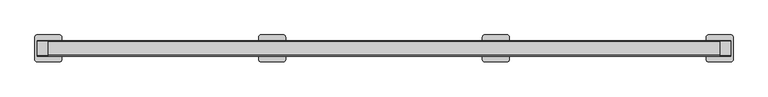
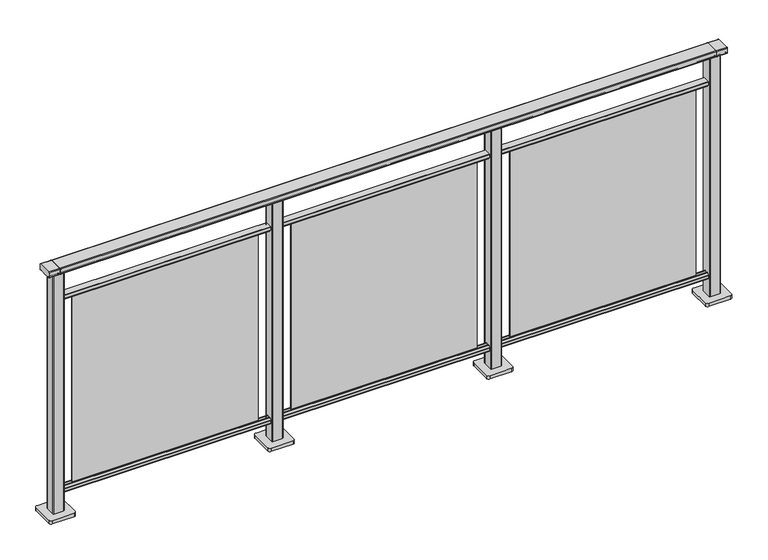
"""IFC4 building model written with IfcOpenShell, lengths in millimetres: railing geometry."""

from ifc_helpers import new_model, si_unit, point, frame, frame_2d, origin, origin_with_axes, place, context, project, spatial, polyline, circle_curve, trimmed, segment, composite_curve, outline, extrude, source, transform, mapped, element, save


def railing_d62bc946(model_context):
    return source(origin(), model_context, "Body", "SweptSolid", [
        extrude(outline(composite_curve([segment(trimmed(circle_curve(frame_2d((9717.8460333, 1197.0)), 3.0), [point((9717.8460333, 1200.0))], [point((9720.8460333, 1197.0))], False, "CARTESIAN"), True, "CONTINUOUS"), segment(polyline([(9720.8460333, 1197.0), (9720.8460333, 1174.8)]), True, "CONTINUOUS"), segment(trimmed(circle_curve(frame_2d((9717.8460333, 1174.8)), 3.0), [point((9720.8460333, 1174.8))], [point((9717.8460333, 1171.8))], False, "CARTESIAN"), True, "CONTINUOUS"), segment(polyline([(9717.8460333, 1171.8), (9712.9961193, 1171.8)]), True, "CONTINUOUS"), segment(trimmed(circle_curve(frame_2d((9712.9961193, 1172.7286632)), 0.9286632), [point((9712.9961193, 1171.8))], [point((9712.0960471, 1172.5000033))], False, "CARTESIAN"), True, "CONTINUOUS"), segment(trimmed(circle_curve(frame_2d((9711.5960471, 1172.5000003)), 0.5), [point((9712.0960471, 1172.5000033))], [point((9711.5960471, 1172.0000003))], False, "CARTESIAN"), True, "CONTINUOUS"), segment(polyline([(9711.5960471, 1172.0000003), (9694.5751393, 1172.0000003)]), True, "CONTINUOUS"), segment(trimmed(circle_curve(frame_2d((9685.8508208, 1188.8785723)), 18.999998), [point((9694.5751393, 1172.0000003))], [point((9677.1265024, 1172.0000003))], False, "CARTESIAN"), True, "CONTINUOUS"), segment(polyline([(9677.1265024, 1172.0000003), (9660.0960436, 1172.0000003)]), True, "CONTINUOUS"), segment(trimmed(circle_curve(frame_2d((9660.0960436, 1172.5000003)), 0.5), [point((9660.0960436, 1172.0000003))], [point((9659.5960436, 1172.5000033))], False, "CARTESIAN"), True, "CONTINUOUS"), segment(trimmed(circle_curve(frame_2d((9658.6961402, 1172.7284461)), 0.9284461), [point((9659.5960436, 1172.5000033))], [point((9658.6961402, 1171.8))], False, "CARTESIAN"), True, "CONTINUOUS"), segment(polyline([(9658.6961402, 1171.8), (9653.8460333, 1171.8)]), True, "CONTINUOUS"), segment(trimmed(circle_curve(frame_2d((9653.8460333, 1174.8)), 3.0), [point((9653.8460333, 1171.8))], [point((9650.8460333, 1174.8))], False, "CARTESIAN"), True, "CONTINUOUS"), segment(polyline([(9650.8460333, 1174.8), (9650.8460333, 1197.0)]), True, "CONTINUOUS"), segment(trimmed(circle_curve(frame_2d((9653.8460333, 1197.0)), 3.0), [point((9650.8460333, 1197.0))], [point((9653.8460333, 1200.0))], False, "CARTESIAN"), True, "CONTINUOUS"), segment(polyline([(9653.8460333, 1200.0), (9717.8460333, 1200.0)]), True, "CONTINUOUS")], self_intersect=False)), frame((3691.3946925, 0.0, 0.0), z_axis=(1.0, 0.0, 0.0), x_axis=(0.0, 1.0, 0.0)), (0.0, 0.0, 1.0), 3000.0),
        extrude(outline(composite_curve([segment(polyline([(9701.5508136, 100.0), (9670.1507946, 100.0)]), True, "CONTINUOUS"), segment(trimmed(circle_curve(frame_2d((9670.1507946, 101.8)), 1.8), [point((9670.1507946, 100.0))], [point((9668.3507946, 101.8))], False, "CARTESIAN"), True, "CONTINUOUS"), segment(polyline([(9668.3507946, 101.8), (9668.3507946, 115.5269955)]), True, "CONTINUOUS"), segment(trimmed(circle_curve(frame_2d((9670.1507946, 115.5269955)), 1.8), [point((9668.3507946, 115.5269955))], [point((9668.7923399, 116.7079277))], False, "CARTESIAN"), True, "CONTINUOUS"), segment(polyline([(9668.7923399, 116.7079277), (9675.4626384, 124.3809322)]), True, "CONTINUOUS"), segment(trimmed(circle_curve(frame_2d((9676.8210931, 123.2)), 1.8), [point((9675.4626384, 124.3809322))], [point((9676.8210931, 125.0))], False, "CARTESIAN"), True, "CONTINUOUS"), segment(polyline([(9676.8210931, 125.0), (9680.5111113, 125.0), (9681.809143, 113.0), (9689.8924411, 113.0), (9691.1904978, 125.0), (9694.88054, 125.0)]), True, "CONTINUOUS"), segment(trimmed(circle_curve(frame_2d((9694.88054, 123.2)), 1.8), [point((9694.88054, 125.0))], [point((9696.2389969, 124.3809297))], False, "CARTESIAN"), True, "CONTINUOUS"), segment(polyline([(9696.2389969, 124.3809297), (9702.9092704, 116.7079252)]), True, "CONTINUOUS"), segment(trimmed(circle_curve(frame_2d((9701.5508136, 115.5269955)), 1.8), [point((9702.9092704, 116.7079252))], [point((9703.3508136, 115.5269955))], False, "CARTESIAN"), True, "CONTINUOUS"), segment(polyline([(9703.3508136, 115.5269955), (9703.3508136, 101.8)]), True, "CONTINUOUS"), segment(trimmed(circle_curve(frame_2d((9701.5508136, 101.8)), 1.8), [point((9703.3508136, 101.8))], [point((9701.5508136, 100.0))], False, "CARTESIAN"), True, "CONTINUOUS")], self_intersect=False)), frame((3691.3946925, 0.0, 0.0), z_axis=(1.0, 0.0, 0.0), x_axis=(0.0, 1.0, 0.0)), (0.0, 0.0, 1.0), 3000.0),
        extrude(outline(composite_curve([segment(polyline([(9670.1507946, 1050.0), (9701.5508136, 1050.0)]), True, "CONTINUOUS"), segment(trimmed(circle_curve(frame_2d((9701.5508136, 1048.2)), 1.8), [point((9701.5508136, 1050.0))], [point((9703.3508136, 1048.2))], False, "CARTESIAN"), True, "CONTINUOUS"), segment(polyline([(9703.3508136, 1048.2), (9703.3508136, 1034.4730045)]), True, "CONTINUOUS"), segment(trimmed(circle_curve(frame_2d((9701.5508136, 1034.4730045)), 1.8), [point((9703.3508136, 1034.4730045))], [point((9702.9092704, 1033.2920748))], False, "CARTESIAN"), True, "CONTINUOUS"), segment(polyline([(9702.9092704, 1033.2920748), (9696.2389969, 1025.6190703)]), True, "CONTINUOUS"), segment(trimmed(circle_curve(frame_2d((9694.88054, 1026.8)), 1.8), [point((9696.2389969, 1025.6190703))], [point((9694.88054, 1025.0))], False, "CARTESIAN"), True, "CONTINUOUS"), segment(polyline([(9694.88054, 1025.0), (9691.1904978, 1025.0), (9689.8924411, 1037.0), (9681.809143, 1037.0), (9680.5111113, 1025.0), (9676.8210931, 1025.0)]), True, "CONTINUOUS"), segment(trimmed(circle_curve(frame_2d((9676.8210931, 1026.8)), 1.8), [point((9676.8210931, 1025.0))], [point((9675.4626384, 1025.6190678))], False, "CARTESIAN"), True, "CONTINUOUS"), segment(polyline([(9675.4626384, 1025.6190678), (9668.7923399, 1033.2920723)]), True, "CONTINUOUS"), segment(trimmed(circle_curve(frame_2d((9670.1507946, 1034.4730045)), 1.8), [point((9668.7923399, 1033.2920723))], [point((9668.3507946, 1034.4730045))], False, "CARTESIAN"), True, "CONTINUOUS"), segment(polyline([(9668.3507946, 1034.4730045), (9668.3507946, 1048.2)]), True, "CONTINUOUS"), segment(trimmed(circle_curve(frame_2d((9670.1507946, 1048.2)), 1.8), [point((9668.3507946, 1048.2))], [point((9670.1507946, 1050.0))], False, "CARTESIAN"), True, "CONTINUOUS")], self_intersect=False)), frame((3691.3946925, 0.0, 0.0), z_axis=(1.0, 0.0, 0.0), x_axis=(0.0, 1.0, 0.0)), (0.0, 0.0, 1.0), 3000.0),
        extrude(outline(polyline([(5766.3946925, 9687.8508041), (6616.3946925, 9687.8508041), (6616.3946925, 9683.8508041), (5766.3946925, 9683.8508041), (5766.3946925, 9687.8508041)])), frame((0.0, 0.0, 125.0), z_axis=(0.0, 0.0, 1.0), x_axis=(1.0, 0.0, 0.0)), (0.0, 0.0, 1.0), 900.0),
        extrude(outline(composite_curve([segment(trimmed(circle_curve(frame_2d((5668.994681, 9708.2508266)), 3.0), [point((5665.994681, 9708.2508266))], [point((5668.994681, 9711.2508266))], False, "CARTESIAN"), True, "CONTINUOUS"), segment(polyline([(5668.994681, 9711.2508266), (5713.794704, 9711.2508266)]), True, "CONTINUOUS"), segment(trimmed(circle_curve(frame_2d((5713.794704, 9708.2508266)), 3.0), [point((5713.794704, 9711.2508266))], [point((5716.794704, 9708.2508266))], False, "CARTESIAN"), True, "CONTINUOUS"), segment(polyline([(5716.794704, 9708.2508266), (5716.794704, 9663.4508036)]), True, "CONTINUOUS"), segment(trimmed(circle_curve(frame_2d((5713.794704, 9663.4508036)), 3.0), [point((5716.794704, 9663.4508036))], [point((5713.794704, 9660.4508036))], False, "CARTESIAN"), True, "CONTINUOUS"), segment(polyline([(5713.794704, 9660.4508036), (5668.994681, 9660.4508036)]), True, "CONTINUOUS"), segment(trimmed(circle_curve(frame_2d((5668.994681, 9663.4508036)), 3.0), [point((5668.994681, 9660.4508036))], [point((5665.994681, 9663.4508036))], False, "CARTESIAN"), True, "CONTINUOUS"), segment(polyline([(5665.994681, 9663.4508036), (5665.994681, 9708.2508266)]), True, "CONTINUOUS")], self_intersect=False)), frame((0.0, 0.0, 16.0), z_axis=(0.0, 0.0, 1.0), x_axis=(1.0, 0.0, 0.0)), (0.0, 0.0, 1.0), 1153.8785743),
        extrude(outline(composite_curve([segment(trimmed(circle_curve(frame_2d((5641.394681, 9735.8508151)), 10.0), [point((5631.394681, 9735.8508151))], [point((5641.394681, 9745.8508151))], False, "CARTESIAN"), True, "CONTINUOUS"), segment(polyline([(5641.394681, 9745.8508151), (5741.394681, 9745.8508151)]), True, "CONTINUOUS"), segment(trimmed(circle_curve(frame_2d((5741.394681, 9735.8508151)), 10.0), [point((5741.394681, 9745.8508151))], [point((5751.394681, 9735.8508151))], False, "CARTESIAN"), True, "CONTINUOUS"), segment(polyline([(5751.394681, 9735.8508151), (5751.394681, 9635.8508151)]), True, "CONTINUOUS"), segment(trimmed(circle_curve(frame_2d((5741.394681, 9635.8508151)), 10.0), [point((5751.394681, 9635.8508151))], [point((5741.394681, 9625.8508151))], False, "CARTESIAN"), True, "CONTINUOUS"), segment(polyline([(5741.394681, 9625.8508151), (5641.394681, 9625.8508151)]), True, "CONTINUOUS"), segment(trimmed(circle_curve(frame_2d((5641.394681, 9635.8508151)), 10.0), [point((5641.394681, 9625.8508151))], [point((5631.394681, 9635.8508151))], False, "CARTESIAN"), True, "CONTINUOUS"), segment(polyline([(5631.394681, 9635.8508151), (5631.394681, 9735.8508151)]), True, "CONTINUOUS")], self_intersect=False)), origin_with_axes(), (0.0, 0.0, 1.0), 16.0),
        extrude(outline(polyline([(4766.3946925, 9687.8508041), (5616.3946925, 9687.8508041), (5616.3946925, 9683.8508041), (4766.3946925, 9683.8508041), (4766.3946925, 9687.8508041)])), frame((0.0, 0.0, 125.0), z_axis=(0.0, 0.0, 1.0), x_axis=(1.0, 0.0, 0.0)), (0.0, 0.0, 1.0), 900.0),
        extrude(outline(composite_curve([segment(trimmed(circle_curve(frame_2d((4668.994681, 9708.2508266)), 3.0), [point((4665.994681, 9708.2508266))], [point((4668.994681, 9711.2508266))], False, "CARTESIAN"), True, "CONTINUOUS"), segment(polyline([(4668.994681, 9711.2508266), (4713.794704, 9711.2508266)]), True, "CONTINUOUS"), segment(trimmed(circle_curve(frame_2d((4713.794704, 9708.2508266)), 3.0), [point((4713.794704, 9711.2508266))], [point((4716.794704, 9708.2508266))], False, "CARTESIAN"), True, "CONTINUOUS"), segment(polyline([(4716.794704, 9708.2508266), (4716.794704, 9663.4508036)]), True, "CONTINUOUS"), segment(trimmed(circle_curve(frame_2d((4713.794704, 9663.4508036)), 3.0), [point((4716.794704, 9663.4508036))], [point((4713.794704, 9660.4508036))], False, "CARTESIAN"), True, "CONTINUOUS"), segment(polyline([(4713.794704, 9660.4508036), (4668.994681, 9660.4508036)]), True, "CONTINUOUS"), segment(trimmed(circle_curve(frame_2d((4668.994681, 9663.4508036)), 3.0), [point((4668.994681, 9660.4508036))], [point((4665.994681, 9663.4508036))], False, "CARTESIAN"), True, "CONTINUOUS"), segment(polyline([(4665.994681, 9663.4508036), (4665.994681, 9708.2508266)]), True, "CONTINUOUS")], self_intersect=False)), frame((0.0, 0.0, 16.0), z_axis=(0.0, 0.0, 1.0), x_axis=(1.0, 0.0, 0.0)), (0.0, 0.0, 1.0), 1153.8785743),
        extrude(outline(composite_curve([segment(trimmed(circle_curve(frame_2d((4641.394681, 9735.8508151)), 10.0), [point((4631.394681, 9735.8508151))], [point((4641.394681, 9745.8508151))], False, "CARTESIAN"), True, "CONTINUOUS"), segment(polyline([(4641.394681, 9745.8508151), (4741.394681, 9745.8508151)]), True, "CONTINUOUS"), segment(trimmed(circle_curve(frame_2d((4741.394681, 9735.8508151)), 10.0), [point((4741.394681, 9745.8508151))], [point((4751.394681, 9735.8508151))], False, "CARTESIAN"), True, "CONTINUOUS"), segment(polyline([(4751.394681, 9735.8508151), (4751.394681, 9635.8508151)]), True, "CONTINUOUS"), segment(trimmed(circle_curve(frame_2d((4741.394681, 9635.8508151)), 10.0), [point((4751.394681, 9635.8508151))], [point((4741.394681, 9625.8508151))], False, "CARTESIAN"), True, "CONTINUOUS"), segment(polyline([(4741.394681, 9625.8508151), (4641.394681, 9625.8508151)]), True, "CONTINUOUS"), segment(trimmed(circle_curve(frame_2d((4641.394681, 9635.8508151)), 10.0), [point((4641.394681, 9625.8508151))], [point((4631.394681, 9635.8508151))], False, "CARTESIAN"), True, "CONTINUOUS"), segment(polyline([(4631.394681, 9635.8508151), (4631.394681, 9735.8508151)]), True, "CONTINUOUS")], self_intersect=False)), origin_with_axes(), (0.0, 0.0, 1.0), 16.0),
        extrude(outline(polyline([(3766.3946925, 9687.8508041), (4616.3946925, 9687.8508041), (4616.3946925, 9683.8508041), (3766.3946925, 9683.8508041), (3766.3946925, 9687.8508041)])), frame((0.0, 0.0, 125.0), z_axis=(0.0, 0.0, 1.0), x_axis=(1.0, 0.0, 0.0)), (0.0, 0.0, 1.0), 900.0),
        extrude(outline(composite_curve([segment(trimmed(circle_curve(frame_2d((6668.994681, 9708.2508266)), 3.0), [point((6665.994681, 9708.2508266))], [point((6668.994681, 9711.2508266))], False, "CARTESIAN"), True, "CONTINUOUS"), segment(polyline([(6668.994681, 9711.2508266), (6713.794704, 9711.2508266)]), True, "CONTINUOUS"), segment(trimmed(circle_curve(frame_2d((6713.794704, 9708.2508266)), 3.0), [point((6713.794704, 9711.2508266))], [point((6716.794704, 9708.2508266))], False, "CARTESIAN"), True, "CONTINUOUS"), segment(polyline([(6716.794704, 9708.2508266), (6716.794704, 9663.4508036)]), True, "CONTINUOUS"), segment(trimmed(circle_curve(frame_2d((6713.794704, 9663.4508036)), 3.0), [point((6716.794704, 9663.4508036))], [point((6713.794704, 9660.4508036))], False, "CARTESIAN"), True, "CONTINUOUS"), segment(polyline([(6713.794704, 9660.4508036), (6668.994681, 9660.4508036)]), True, "CONTINUOUS"), segment(trimmed(circle_curve(frame_2d((6668.994681, 9663.4508036)), 3.0), [point((6668.994681, 9660.4508036))], [point((6665.994681, 9663.4508036))], False, "CARTESIAN"), True, "CONTINUOUS"), segment(polyline([(6665.994681, 9663.4508036), (6665.994681, 9708.2508266)]), True, "CONTINUOUS")], self_intersect=False)), frame((0.0, 0.0, 16.0), z_axis=(0.0, 0.0, 1.0), x_axis=(1.0, 0.0, 0.0)), (0.0, 0.0, 1.0), 1153.8785743),
        extrude(outline(composite_curve([segment(trimmed(circle_curve(frame_2d((6641.394681, 9735.8508151)), 10.0), [point((6631.394681, 9735.8508151))], [point((6641.394681, 9745.8508151))], False, "CARTESIAN"), True, "CONTINUOUS"), segment(polyline([(6641.394681, 9745.8508151), (6741.394681, 9745.8508151)]), True, "CONTINUOUS"), segment(trimmed(circle_curve(frame_2d((6741.394681, 9735.8508151)), 10.0), [point((6741.394681, 9745.8508151))], [point((6751.394681, 9735.8508151))], False, "CARTESIAN"), True, "CONTINUOUS"), segment(polyline([(6751.394681, 9735.8508151), (6751.394681, 9635.8508151)]), True, "CONTINUOUS"), segment(trimmed(circle_curve(frame_2d((6741.394681, 9635.8508151)), 10.0), [point((6751.394681, 9635.8508151))], [point((6741.394681, 9625.8508151))], False, "CARTESIAN"), True, "CONTINUOUS"), segment(polyline([(6741.394681, 9625.8508151), (6641.394681, 9625.8508151)]), True, "CONTINUOUS"), segment(trimmed(circle_curve(frame_2d((6641.394681, 9635.8508151)), 10.0), [point((6641.394681, 9625.8508151))], [point((6631.394681, 9635.8508151))], False, "CARTESIAN"), True, "CONTINUOUS"), segment(polyline([(6631.394681, 9635.8508151), (6631.394681, 9735.8508151)]), True, "CONTINUOUS")], self_intersect=False)), origin_with_axes(), (0.0, 0.0, 1.0), 16.0),
        extrude(outline(composite_curve([segment(trimmed(circle_curve(frame_2d((9717.8460333, 1197.0)), 3.0), [point((9717.8460333, 1200.0))], [point((9720.8460333, 1197.0))], False, "CARTESIAN"), True, "CONTINUOUS"), segment(polyline([(9720.8460333, 1197.0), (9720.8460333, 1174.8)]), True, "CONTINUOUS"), segment(trimmed(circle_curve(frame_2d((9717.8460333, 1174.8)), 3.0), [point((9720.8460333, 1174.8))], [point((9717.8460333, 1171.8))], False, "CARTESIAN"), True, "CONTINUOUS"), segment(polyline([(9717.8460333, 1171.8), (9712.9961193, 1171.8)]), True, "CONTINUOUS"), segment(trimmed(circle_curve(frame_2d((9712.9961193, 1172.7286632)), 0.9286632), [point((9712.9961193, 1171.8))], [point((9712.0960471, 1172.5000033))], False, "CARTESIAN"), True, "CONTINUOUS"), segment(trimmed(circle_curve(frame_2d((9711.5960471, 1172.5000003)), 0.5), [point((9712.0960471, 1172.5000033))], [point((9711.5960471, 1172.0000003))], False, "CARTESIAN"), True, "CONTINUOUS"), segment(polyline([(9711.5960471, 1172.0000003), (9694.5751393, 1172.0000003)]), True, "CONTINUOUS"), segment(trimmed(circle_curve(frame_2d((9685.8508208, 1188.8785723)), 18.999998), [point((9694.5751393, 1172.0000003))], [point((9677.1265024, 1172.0000003))], False, "CARTESIAN"), True, "CONTINUOUS"), segment(polyline([(9677.1265024, 1172.0000003), (9660.0960436, 1172.0000003)]), True, "CONTINUOUS"), segment(trimmed(circle_curve(frame_2d((9660.0960436, 1172.5000003)), 0.5), [point((9660.0960436, 1172.0000003))], [point((9659.5960436, 1172.5000033))], False, "CARTESIAN"), True, "CONTINUOUS"), segment(trimmed(circle_curve(frame_2d((9658.6961402, 1172.7284461)), 0.9284461), [point((9659.5960436, 1172.5000033))], [point((9658.6961402, 1171.8))], False, "CARTESIAN"), True, "CONTINUOUS"), segment(polyline([(9658.6961402, 1171.8), (9653.8460333, 1171.8)]), True, "CONTINUOUS"), segment(trimmed(circle_curve(frame_2d((9653.8460333, 1174.8)), 3.0), [point((9653.8460333, 1171.8))], [point((9650.8460333, 1174.8))], False, "CARTESIAN"), True, "CONTINUOUS"), segment(polyline([(9650.8460333, 1174.8), (9650.8460333, 1197.0)]), True, "CONTINUOUS"), segment(trimmed(circle_curve(frame_2d((9653.8460333, 1197.0)), 3.0), [point((9650.8460333, 1197.0))], [point((9653.8460333, 1200.0))], False, "CARTESIAN"), True, "CONTINUOUS"), segment(polyline([(9653.8460333, 1200.0), (9717.8460333, 1200.0)]), True, "CONTINUOUS")], self_intersect=False)), frame((6691.3946925, 0.0, 0.0), z_axis=(1.0, 0.0, 0.0), x_axis=(0.0, 1.0, 0.0)), (0.0, 0.0, 1.0), 50.0),
        extrude(outline(composite_curve([segment(trimmed(circle_curve(frame_2d((3668.994681, 9708.2508266)), 3.0), [point((3665.994681, 9708.2508266))], [point((3668.994681, 9711.2508266))], False, "CARTESIAN"), True, "CONTINUOUS"), segment(polyline([(3668.994681, 9711.2508266), (3713.794704, 9711.2508266)]), True, "CONTINUOUS"), segment(trimmed(circle_curve(frame_2d((3713.794704, 9708.2508266)), 3.0), [point((3713.794704, 9711.2508266))], [point((3716.794704, 9708.2508266))], False, "CARTESIAN"), True, "CONTINUOUS"), segment(polyline([(3716.794704, 9708.2508266), (3716.794704, 9663.4508036)]), True, "CONTINUOUS"), segment(trimmed(circle_curve(frame_2d((3713.794704, 9663.4508036)), 3.0), [point((3716.794704, 9663.4508036))], [point((3713.794704, 9660.4508036))], False, "CARTESIAN"), True, "CONTINUOUS"), segment(polyline([(3713.794704, 9660.4508036), (3668.994681, 9660.4508036)]), True, "CONTINUOUS"), segment(trimmed(circle_curve(frame_2d((3668.994681, 9663.4508036)), 3.0), [point((3668.994681, 9660.4508036))], [point((3665.994681, 9663.4508036))], False, "CARTESIAN"), True, "CONTINUOUS"), segment(polyline([(3665.994681, 9663.4508036), (3665.994681, 9708.2508266)]), True, "CONTINUOUS")], self_intersect=False)), frame((0.0, 0.0, 16.0), z_axis=(0.0, 0.0, 1.0), x_axis=(1.0, 0.0, 0.0)), (0.0, 0.0, 1.0), 1153.8785743),
        extrude(outline(composite_curve([segment(trimmed(circle_curve(frame_2d((3641.394681, 9735.8508151)), 10.0), [point((3631.394681, 9735.8508151))], [point((3641.394681, 9745.8508151))], False, "CARTESIAN"), True, "CONTINUOUS"), segment(polyline([(3641.394681, 9745.8508151), (3741.394681, 9745.8508151)]), True, "CONTINUOUS"), segment(trimmed(circle_curve(frame_2d((3741.394681, 9735.8508151)), 10.0), [point((3741.394681, 9745.8508151))], [point((3751.394681, 9735.8508151))], False, "CARTESIAN"), True, "CONTINUOUS"), segment(polyline([(3751.394681, 9735.8508151), (3751.394681, 9635.8508151)]), True, "CONTINUOUS"), segment(trimmed(circle_curve(frame_2d((3741.394681, 9635.8508151)), 10.0), [point((3751.394681, 9635.8508151))], [point((3741.394681, 9625.8508151))], False, "CARTESIAN"), True, "CONTINUOUS"), segment(polyline([(3741.394681, 9625.8508151), (3641.394681, 9625.8508151)]), True, "CONTINUOUS"), segment(trimmed(circle_curve(frame_2d((3641.394681, 9635.8508151)), 10.0), [point((3641.394681, 9625.8508151))], [point((3631.394681, 9635.8508151))], False, "CARTESIAN"), True, "CONTINUOUS"), segment(polyline([(3631.394681, 9635.8508151), (3631.394681, 9735.8508151)]), True, "CONTINUOUS")], self_intersect=False)), origin_with_axes(), (0.0, 0.0, 1.0), 16.0),
        extrude(outline(composite_curve([segment(trimmed(circle_curve(frame_2d((9717.8460333, 1197.0)), 3.0), [point((9717.8460333, 1200.0))], [point((9720.8460333, 1197.0))], False, "CARTESIAN"), True, "CONTINUOUS"), segment(polyline([(9720.8460333, 1197.0), (9720.8460333, 1174.8)]), True, "CONTINUOUS"), segment(trimmed(circle_curve(frame_2d((9717.8460333, 1174.8)), 3.0), [point((9720.8460333, 1174.8))], [point((9717.8460333, 1171.8))], False, "CARTESIAN"), True, "CONTINUOUS"), segment(polyline([(9717.8460333, 1171.8), (9712.9961193, 1171.8)]), True, "CONTINUOUS"), segment(trimmed(circle_curve(frame_2d((9712.9961193, 1172.7286632)), 0.9286632), [point((9712.9961193, 1171.8))], [point((9712.0960471, 1172.5000033))], False, "CARTESIAN"), True, "CONTINUOUS"), segment(trimmed(circle_curve(frame_2d((9711.5960471, 1172.5000003)), 0.5), [point((9712.0960471, 1172.5000033))], [point((9711.5960471, 1172.0000003))], False, "CARTESIAN"), True, "CONTINUOUS"), segment(polyline([(9711.5960471, 1172.0000003), (9694.5751393, 1172.0000003)]), True, "CONTINUOUS"), segment(trimmed(circle_curve(frame_2d((9685.8508208, 1188.8785723)), 18.999998), [point((9694.5751393, 1172.0000003))], [point((9677.1265024, 1172.0000003))], False, "CARTESIAN"), True, "CONTINUOUS"), segment(polyline([(9677.1265024, 1172.0000003), (9660.0960436, 1172.0000003)]), True, "CONTINUOUS"), segment(trimmed(circle_curve(frame_2d((9660.0960436, 1172.5000003)), 0.5), [point((9660.0960436, 1172.0000003))], [point((9659.5960436, 1172.5000033))], False, "CARTESIAN"), True, "CONTINUOUS"), segment(trimmed(circle_curve(frame_2d((9658.6961402, 1172.7284461)), 0.9284461), [point((9659.5960436, 1172.5000033))], [point((9658.6961402, 1171.8))], False, "CARTESIAN"), True, "CONTINUOUS"), segment(polyline([(9658.6961402, 1171.8), (9653.8460333, 1171.8)]), True, "CONTINUOUS"), segment(trimmed(circle_curve(frame_2d((9653.8460333, 1174.8)), 3.0), [point((9653.8460333, 1171.8))], [point((9650.8460333, 1174.8))], False, "CARTESIAN"), True, "CONTINUOUS"), segment(polyline([(9650.8460333, 1174.8), (9650.8460333, 1197.0)]), True, "CONTINUOUS"), segment(trimmed(circle_curve(frame_2d((9653.8460333, 1197.0)), 3.0), [point((9650.8460333, 1197.0))], [point((9653.8460333, 1200.0))], False, "CARTESIAN"), True, "CONTINUOUS"), segment(polyline([(9653.8460333, 1200.0), (9717.8460333, 1200.0)]), True, "CONTINUOUS")], self_intersect=False)), frame((3641.3946925, 0.0, 0.0), z_axis=(1.0, 0.0, 0.0), x_axis=(0.0, 1.0, 0.0)), (0.0, 0.0, 1.0), 50.0),
    ])


if __name__ == "__main__":
    model = new_model("IFC4")
    model_context = context("Model", 3, world=origin())
    ifc_project = project(units=[si_unit("LENGTHUNIT", "METRE", prefix="MILLI")], contexts=[model_context])
    site = spatial("IfcSite", under=ifc_project)
    building = spatial("IfcBuilding", under=site)
    placement = place(None, origin())
    railing_shape = railing_d62bc946(model_context)
    element("IfcRailing", 1, at=placement, inside=building, context=model_context, shape_type="MappedRepresentation", body=[
        mapped(railing_shape, transform((0.0, 0.0, 0.0), x_axis=(1.0, 0.0, 0.0), y_axis=(0.0, 1.0, 0.0), z_axis=(0.0, 0.0, 1.0))),
    ])
    save(model, "model.ifc")
